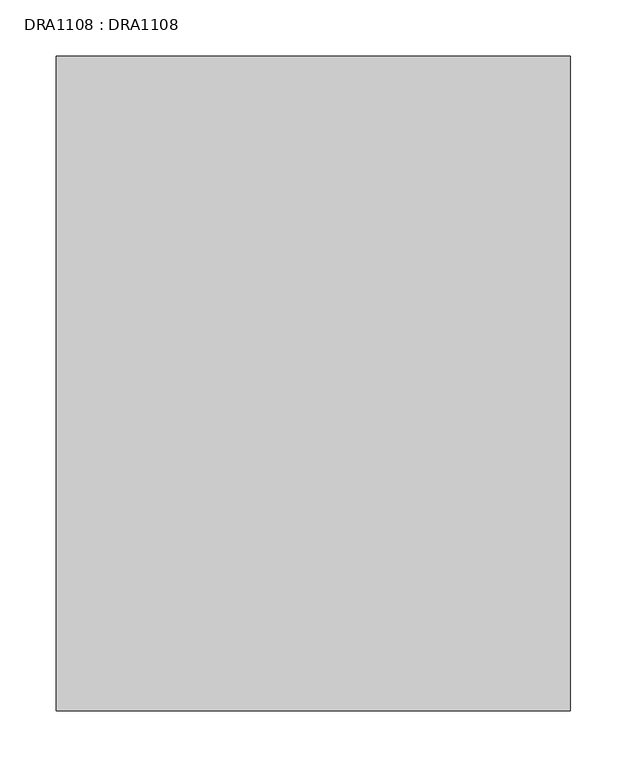
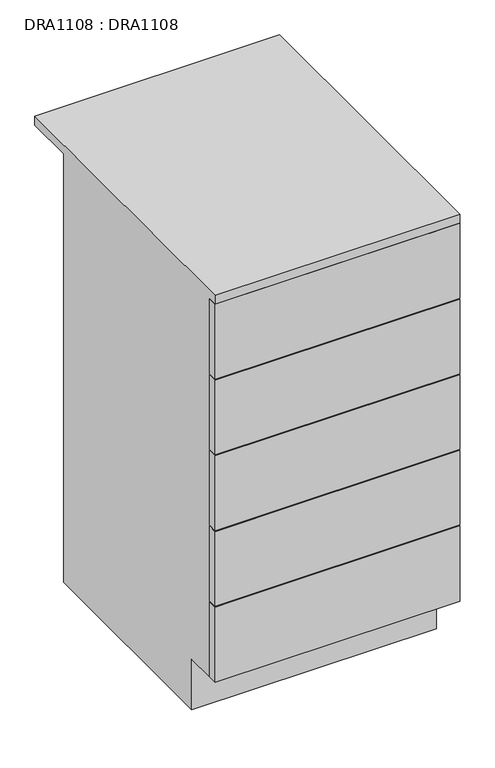
"""IFC4 building model written with IfcOpenShell, lengths in millimetres: proxy geometry, DRA1108 : DRA1108."""

from ifc_helpers import new_model, si_unit, frame, origin, place, context, project, spatial, polyline, outline, extrude, faceted_brep, source, transform, mapped, element, save


def dra1108_dra1108_abf28585(model_context):
    return source(origin(), model_context, "Body", "SolidModel", [
        extrude(outline(polyline([(455.0, -580.0), (0.0, -580.0), (0.0, -562.0), (455.0, -562.0), (455.0, -580.0)])), frame((0.0, 0.0, 694.6), z_axis=(0.0, 0.0, 1.0), x_axis=(1.0, 0.0, 0.0)), (0.0, 0.0, 1.0), 147.4),
        extrude(outline(polyline([(455.0, -580.0), (0.0, -580.0), (0.0, -562.0), (455.0, -562.0), (455.0, -580.0)])), frame((0.0, 0.0, 546.2), z_axis=(0.0, 0.0, 1.0), x_axis=(1.0, 0.0, 0.0)), (0.0, 0.0, 1.0), 146.4),
        extrude(outline(polyline([(455.0, -580.0), (0.0, -580.0), (0.0, -562.0), (455.0, -562.0), (455.0, -580.0)])), frame((0.0, 0.0, 397.8), z_axis=(0.0, 0.0, 1.0), x_axis=(1.0, 0.0, 0.0)), (0.0, 0.0, 1.0), 146.4),
        extrude(outline(polyline([(455.0, -580.0), (0.0, -580.0), (0.0, -562.0), (455.0, -562.0), (455.0, -580.0)])), frame((0.0, 0.0, 249.4), z_axis=(0.0, 0.0, 1.0), x_axis=(1.0, 0.0, 0.0)), (0.0, 0.0, 1.0), 146.4),
        extrude(outline(polyline([(455.0, -580.0), (0.0, -580.0), (0.0, -562.0), (455.0, -562.0), (455.0, -580.0)])), frame((0.0, 0.0, 100.0), z_axis=(0.0, 0.0, 1.0), x_axis=(1.0, 0.0, 0.0)), (0.0, 0.0, 1.0), 147.4),
        faceted_brep([(0.0, -92.0, 0.0), (455.0, -92.0, 0.0), (455.0, -505.0, 0.0), (0.0, -505.0, 0.0), (437.0, -110.0, 0.0), (18.0, -110.0, 0.0), (18.0, -487.0, 0.0), (437.0, -487.0, 0.0), (455.0, -92.0, 842.0), (455.0, 0.0, 842.0), (455.0, 0.0, 860.0), (455.0, -580.0, 860.0), (455.0, -580.0, 842.0), (455.0, -562.0, 842.0), (455.0, -562.0, 100.0), (455.0, -505.0, 100.0), (18.0, -487.0, 100.0), (437.0, -487.0, 100.0), (0.0, -92.0, 842.0), (0.0, -505.0, 100.0), (0.0, -562.0, 100.0), (0.0, -562.0, 842.0), (0.0, -580.0, 842.0), (0.0, -580.0, 860.0), (0.0, 0.0, 860.0), (0.0, 0.0, 842.0), (18.0, -562.0, 118.0), (437.0, -562.0, 118.0), (437.0, -110.0, 118.0), (18.0, -110.0, 118.0), (18.0, -110.0, 100.0), (437.0, -110.0, 100.0), (18.0, -562.0, 842.0), (437.0, -562.0, 842.0), (18.0, -110.0, 842.0), (437.0, -110.0, 842.0)], [[[0, 1, 2, 3], [4, 5, 6, 7]], [[1, 8, 9, 10, 11, 12, 13, 14, 15, 2]], [[7, 6, 16, 17]], [[18, 0, 3, 19, 20, 21, 22, 23, 24, 25]], [[2, 15, 19, 3]], [[26, 27, 28, 29]], [[15, 14, 20, 19]], [[17, 16, 30, 31]], [[26, 32, 21, 20, 14, 13, 33, 27]], [[6, 5, 30, 16]], [[29, 34, 32, 26]], [[5, 4, 31, 30]], [[34, 29, 28, 35]], [[4, 7, 17, 31]], [[35, 28, 27, 33]], [[1, 0, 18, 8]], [[10, 24, 23, 11]], [[12, 22, 21, 32, 34, 35, 33, 13]], [[25, 9, 8, 18]], [[24, 10, 9, 25]], [[11, 23, 22, 12]]]),
    ])


if __name__ == "__main__":
    model = new_model("IFC4")
    model_context = context("Model", 3, world=origin())
    ifc_project = project(units=[si_unit("LENGTHUNIT", "METRE", prefix="MILLI")], contexts=[model_context])
    site = spatial("IfcSite", under=ifc_project)
    building = spatial("IfcBuilding", under=site)
    placement = place(None, origin())
    dra1108_dra1108_shape = dra1108_dra1108_abf28585(model_context)
    element("IfcBuildingElementProxy", 1, Name="DRA1108 : DRA1108", ObjectType="DRA1108 : DRA1108", at=placement, inside=building, context=model_context, shape_type="MappedRepresentation", body=[
        mapped(dra1108_dra1108_shape, transform((0.0, 0.0, 0.0), x_axis=(1.0, 0.0, 0.0), y_axis=(0.0, 1.0, 0.0), z_axis=(0.0, 0.0, 1.0))),
    ])
    save(model, "model.ifc")
